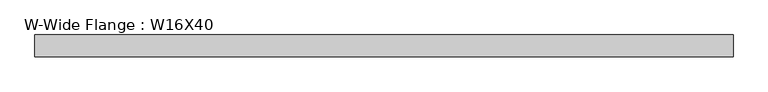
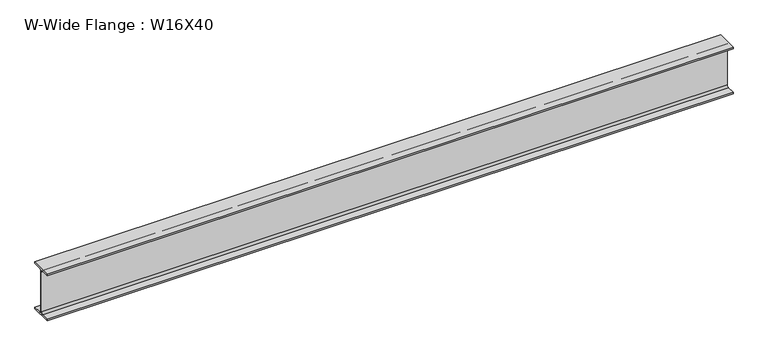
"""IFC4 building model written with IfcOpenShell, lengths in millimetres: beam geometry, W-Wide Flange : W16X40."""

from ifc_helpers import new_model, si_unit, point, frame, frame_2d, origin, place, context, project, spatial, polyline, circle_curve, trimmed, segment, composite_curve, outline, extrude, source, transform, mapped, element, save


def w_wide_flange_w16x40_52d02261(model_context):
    return source(origin(), model_context, "Body", "SweptSolid", [
        extrude(outline(composite_curve([segment(polyline([(88.9, -190.4), (88.9, -203.2), (-88.9, -203.2), (-88.9, -190.4), (-21.25, -190.4)]), True, "CONTINUOUS"), segment(trimmed(circle_curve(frame_2d((-21.25, -173.0)), 17.4), [point((-21.25, -190.4))], [point((-3.85, -173.0))], True, "CARTESIAN"), True, "CONTINUOUS"), segment(polyline([(-3.85, -173.0), (-3.85, 173.0)]), True, "CONTINUOUS"), segment(trimmed(circle_curve(frame_2d((-21.25, 173.0)), 17.4), [point((-3.85, 173.0))], [point((-21.25, 190.4))], True, "CARTESIAN"), True, "CONTINUOUS"), segment(polyline([(-21.25, 190.4), (-88.9, 190.4), (-88.9, 203.2), (88.9, 203.2), (88.9, 190.4), (21.25, 190.4)]), True, "CONTINUOUS"), segment(trimmed(circle_curve(frame_2d((21.25, 173.0)), 17.4), [point((21.25, 190.4))], [point((3.85, 173.0))], True, "CARTESIAN"), True, "CONTINUOUS"), segment(polyline([(3.85, 173.0), (3.85, -173.0)]), True, "CONTINUOUS"), segment(trimmed(circle_curve(frame_2d((21.25, -173.0)), 17.4), [point((3.85, -173.0))], [point((21.25, -190.4))], True, "CARTESIAN"), True, "CONTINUOUS"), segment(polyline([(21.25, -190.4), (88.9, -190.4)]), True, "CONTINUOUS")], self_intersect=False)), frame((-2094.1275338, 0.0, 0.0), z_axis=(1.0, 0.0, 0.0), x_axis=(0.0, 1.0, 0.0)), (0.0, 0.0, 1.0), 5655.9365164),
    ])


if __name__ == "__main__":
    model = new_model("IFC4")
    model_context = context("Model", 3, world=origin())
    ifc_project = project(units=[si_unit("LENGTHUNIT", "METRE", prefix="MILLI")], contexts=[model_context])
    site = spatial("IfcSite", under=ifc_project)
    building = spatial("IfcBuilding", under=site)
    placement = place(None, origin())
    w_wide_flange_w16x40_shape = w_wide_flange_w16x40_52d02261(model_context)
    element("IfcBeam", 1, ObjectType="W-Wide Flange : W16X40", at=placement, inside=building, context=model_context, shape_type="MappedRepresentation", body=[
        mapped(w_wide_flange_w16x40_shape, transform((0.0, 0.0, 0.0), x_axis=(1.0, 0.0, 0.0), y_axis=(0.0, 1.0, 0.0), z_axis=(0.0, 0.0, 1.0))),
    ])
    save(model, "model.ifc")
